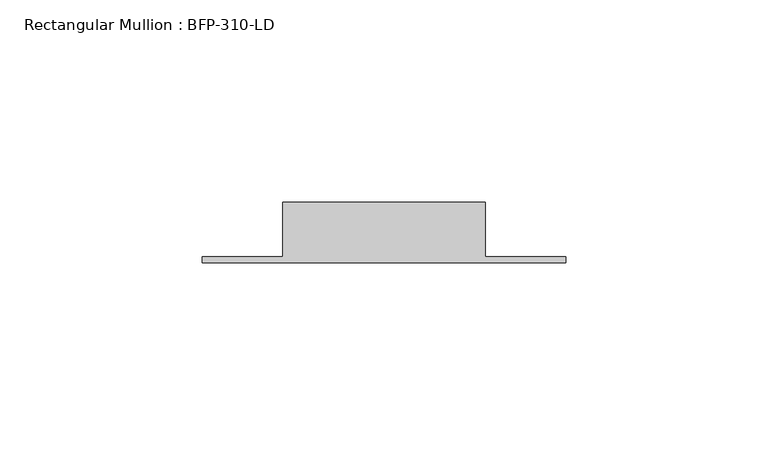
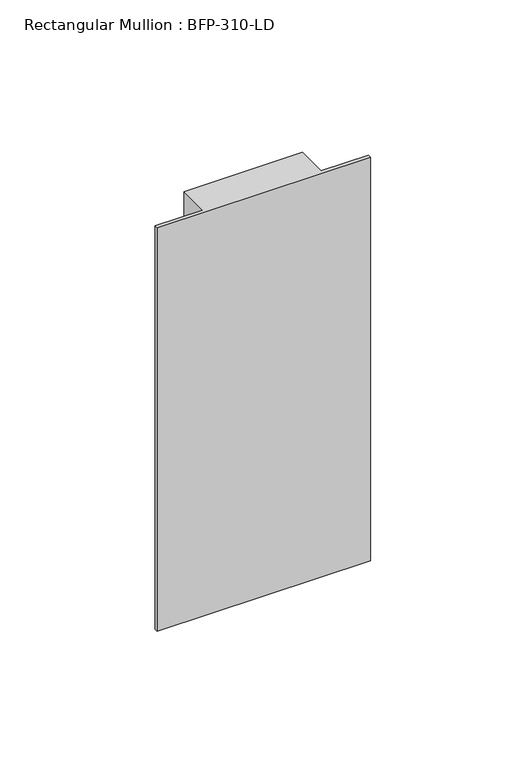
"""IFC4 building model written with IfcOpenShell, lengths in millimetres: member geometry, Rectangular Mullion : BFP-310-LD."""

from ifc_helpers import new_model, si_unit, frame, origin, place, context, project, spatial, polyline, outline, extrude, source, transform, mapped, element, save


def rectangular_mullion_bfp_310_ld_6199a1fb(model_context):
    return source(origin(), model_context, "Body", "SweptSolid", [
        extrude(outline(polyline([(-70.0, 17.0), (-20.0, 17.0), (-20.0, 3.5), (0.0, 3.5), (0.0, 2.0), (-90.0, 2.0), (-90.0, 3.5), (-70.0, 3.5), (-70.0, 17.0)])), frame((0.0, 0.0, -180.0), z_axis=(0.0, 0.0, 1.0), x_axis=(1.0, 0.0, 0.0)), (0.0, 0.0, 1.0), 180.0),
    ])


if __name__ == "__main__":
    model = new_model("IFC4")
    model_context = context("Model", 3, world=origin())
    ifc_project = project(units=[si_unit("LENGTHUNIT", "METRE", prefix="MILLI")], contexts=[model_context])
    site = spatial("IfcSite", under=ifc_project)
    building = spatial("IfcBuilding", under=site)
    placement = place(None, origin())
    rectangular_mullion_bfp_310_ld_shape = rectangular_mullion_bfp_310_ld_6199a1fb(model_context)
    element("IfcMember", 1, ObjectType="Rectangular Mullion : BFP-310-LD", at=placement, inside=building, context=model_context, shape_type="MappedRepresentation", body=[
        mapped(rectangular_mullion_bfp_310_ld_shape, transform((0.0, 0.0, 0.0), x_axis=(1.0, 0.0, 0.0), y_axis=(0.0, 1.0, 0.0), z_axis=(0.0, 0.0, 1.0))),
    ])
    save(model, "model.ifc")
